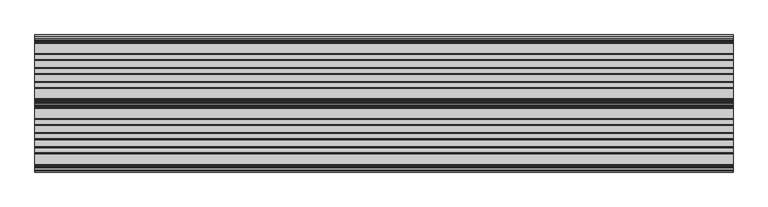
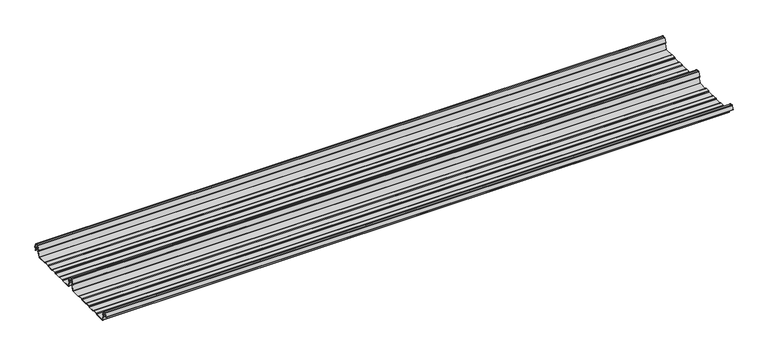
"""IFC4 building model written with IfcOpenShell, lengths in millimetres: beam geometry."""

from ifc_helpers import new_model, si_unit, point, frame, frame_2d, origin, place, context, project, spatial, polyline, circle_curve, trimmed, segment, composite_curve, outline, extrude, source, transform, mapped, element, save


def beam_984e7730(model_context):
    return source(origin(), model_context, "Body", "SweptSolid", [
        extrude(outline(composite_curve([segment(trimmed(circle_curve(frame_2d((-231.1362436, -24.0396475)), 1.75), [point((-231.1362436, -25.7896475))], [point((-232.7807057, -24.6381827))], False, "CARTESIAN"), True, "CONTINUOUS"), segment(polyline([(-232.7807057, -24.6381827), (-241.6888002, -2.1633943)]), True, "CONTINUOUS"), segment(trimmed(circle_curve(frame_2d((-240.0443381, -1.5648591)), 1.75), [point((-241.6888002, -2.1633943))], [point((-240.4972714, 0.1255111))], False, "CARTESIAN"), True, "CONTINUOUS"), segment(polyline([(-240.4972714, 0.1255111), (-237.8419476, 0.837003)]), True, "CONTINUOUS"), segment(trimmed(circle_curve(frame_2d((-238.1654714, 2.0444103)), 1.25), [point((-237.8419476, 0.837003))], [point((-236.9908556, 2.4719355))], True, "CARTESIAN"), True, "CONTINUOUS"), segment(polyline([(-236.9908556, 2.4719355), (-243.8110817, 21.2103525), (-250.0, 21.2103525), (-256.1889183, 21.2103525), (-263.0091444, 2.4719355)]), True, "CONTINUOUS"), segment(trimmed(circle_curve(frame_2d((-261.8345286, 2.0444103)), 1.25), [point((-263.0091444, 2.4719355))], [point((-262.1580524, 0.837003))], True, "CARTESIAN"), True, "CONTINUOUS"), segment(polyline([(-262.1580524, 0.837003), (-259.5027286, 0.1255111)]), True, "CONTINUOUS"), segment(trimmed(circle_curve(frame_2d((-259.9556619, -1.5648591)), 1.75), [point((-259.5027286, 0.1255111))], [point((-258.3111998, -2.1633943))], False, "CARTESIAN"), True, "CONTINUOUS"), segment(polyline([(-258.3111998, -2.1633943), (-267.2192943, -24.6381827)]), True, "CONTINUOUS"), segment(trimmed(circle_curve(frame_2d((-268.8637564, -24.0396475)), 1.75), [point((-267.2192943, -24.6381827))], [point((-268.8637564, -25.7896475))], False, "CARTESIAN"), True, "CONTINUOUS"), segment(polyline([(-268.8637564, -25.7896475), (-307.3786797, -25.7896475)]), True, "CONTINUOUS"), segment(trimmed(circle_curve(frame_2d((-307.3786797, -24.0396475)), 1.75), [point((-307.3786797, -25.7896475))], [point((-308.6161165, -25.2770843))], False, "CARTESIAN"), True, "CONTINUOUS"), segment(polyline([(-308.6161165, -25.2770843), (-310.7788845, -23.1143163)]), True, "CONTINUOUS"), segment(trimmed(circle_curve(frame_2d((-311.5627045, -23.8981363)), 1.1084889), [point((-310.7788845, -23.1143163))], [point((-311.5627045, -22.7896475))], True, "CARTESIAN"), True, "CONTINUOUS"), segment(polyline([(-311.5627045, -22.7896475), (-330.4372955, -22.7896475)]), True, "CONTINUOUS"), segment(trimmed(circle_curve(frame_2d((-330.4372955, -23.8981363)), 1.1084889), [point((-330.4372955, -22.7896475))], [point((-331.2211155, -23.1143163))], True, "CARTESIAN"), True, "CONTINUOUS"), segment(polyline([(-331.2211155, -23.1143163), (-333.3838835, -25.2770843)]), True, "CONTINUOUS"), segment(trimmed(circle_curve(frame_2d((-334.6213203, -24.0396475)), 1.75), [point((-333.3838835, -25.2770843))], [point((-334.6213203, -25.7896475))], False, "CARTESIAN"), True, "CONTINUOUS"), segment(polyline([(-334.6213203, -25.7896475), (-361.3786797, -25.7896475)]), True, "CONTINUOUS"), segment(trimmed(circle_curve(frame_2d((-361.3786797, -24.0396475)), 1.75), [point((-361.3786797, -25.7896475))], [point((-362.6161165, -25.2770843))], False, "CARTESIAN"), True, "CONTINUOUS"), segment(polyline([(-362.6161165, -25.2770843), (-364.7788845, -23.1143163)]), True, "CONTINUOUS"), segment(trimmed(circle_curve(frame_2d((-365.5627045, -23.8981363)), 1.1084889), [point((-364.7788845, -23.1143163))], [point((-365.5627045, -22.7896475))], True, "CARTESIAN"), True, "CONTINUOUS"), segment(polyline([(-365.5627045, -22.7896475), (-384.4372955, -22.7896475)]), True, "CONTINUOUS"), segment(trimmed(circle_curve(frame_2d((-384.4372955, -23.8981363)), 1.1084889), [point((-384.4372955, -22.7896475))], [point((-385.2211155, -23.1143163))], True, "CARTESIAN"), True, "CONTINUOUS"), segment(polyline([(-385.2211155, -23.1143163), (-387.3838835, -25.2770843)]), True, "CONTINUOUS"), segment(trimmed(circle_curve(frame_2d((-388.6213203, -24.0396475)), 1.75), [point((-387.3838835, -25.2770843))], [point((-388.6213203, -25.7896475))], False, "CARTESIAN"), True, "CONTINUOUS"), segment(polyline([(-388.6213203, -25.7896475), (-415.3786797, -25.7896475)]), True, "CONTINUOUS"), segment(trimmed(circle_curve(frame_2d((-415.3786797, -24.0396475)), 1.75), [point((-415.3786797, -25.7896475))], [point((-416.6161165, -25.2770843))], False, "CARTESIAN"), True, "CONTINUOUS"), segment(polyline([(-416.6161165, -25.2770843), (-418.7788845, -23.1143163)]), True, "CONTINUOUS"), segment(trimmed(circle_curve(frame_2d((-419.5627045, -23.8981363)), 1.1084889), [point((-418.7788845, -23.1143163))], [point((-419.5627045, -22.7896475))], True, "CARTESIAN"), True, "CONTINUOUS"), segment(polyline([(-419.5627045, -22.7896475), (-438.4372955, -22.7896475)]), True, "CONTINUOUS"), segment(trimmed(circle_curve(frame_2d((-438.4372955, -23.8981363)), 1.1084889), [point((-438.4372955, -22.7896475))], [point((-439.2211155, -23.1143163))], True, "CARTESIAN"), True, "CONTINUOUS"), segment(polyline([(-439.2211155, -23.1143163), (-441.3838835, -25.2770843)]), True, "CONTINUOUS"), segment(trimmed(circle_curve(frame_2d((-442.6213203, -24.0396475)), 1.75), [point((-441.3838835, -25.2770843))], [point((-442.6213203, -25.7896475))], False, "CARTESIAN"), True, "CONTINUOUS"), segment(polyline([(-442.6213203, -25.7896475), (-483.287616, -25.7896475)]), True, "CONTINUOUS"), segment(trimmed(circle_curve(frame_2d((-483.287616, -24.0396475)), 1.75), [point((-483.287616, -25.7896475))], [point((-484.8955882, -24.7302452))], False, "CARTESIAN"), True, "CONTINUOUS"), segment(polyline([(-484.8955882, -24.7302452), (-493.5565428, -2.8789816)]), True, "CONTINUOUS"), segment(trimmed(circle_curve(frame_2d((-490.0443381, -1.5648591)), 3.75), [point((-493.5565428, -2.8789816))], [point((-490.3464639, 2.1729504))], False, "CARTESIAN"), True, "CONTINUOUS"), segment(trimmed(circle_curve(frame_2d((-490.426413, 3.162057)), 0.9923325), [point((-490.3464639, 2.1729504))], [point((-489.4939255, 3.5014547))], True, "CARTESIAN"), True, "CONTINUOUS"), segment(polyline([(-489.4939255, 3.5014547), (-494.9720116, 18.5523727)]), True, "CONTINUOUS"), segment(trimmed(circle_curve(frame_2d((-495.9117043, 18.2103525)), 1.0), [point((-494.9720116, 18.5523727))], [point((-495.9117043, 19.2103525))], True, "CARTESIAN"), True, "CONTINUOUS"), segment(polyline([(-495.9117043, 19.2103525), (-504.0882957, 19.2103525)]), True, "CONTINUOUS"), segment(trimmed(circle_curve(frame_2d((-504.0882957, 18.2103525)), 1.0), [point((-504.0882957, 19.2103525))], [point((-505.0279884, 18.5523727))], True, "CARTESIAN"), True, "CONTINUOUS"), segment(polyline([(-505.0279884, 18.5523727), (-510.4799156, 3.5733257)]), True, "CONTINUOUS"), segment(trimmed(circle_curve(frame_2d((-510.9497619, 3.7443357)), 0.5), [point((-510.4799156, 3.5733257))], [point((-511.4196082, 3.9153458))], False, "CARTESIAN"), True, "CONTINUOUS"), segment(polyline([(-511.4196082, 3.9153458), (-505.967681, 18.8943928)]), True, "CONTINUOUS"), segment(trimmed(circle_curve(frame_2d((-504.0882957, 18.2103525)), 2.0), [point((-505.967681, 18.8943928))], [point((-504.0882957, 20.2103525))], False, "CARTESIAN"), True, "CONTINUOUS"), segment(polyline([(-504.0882957, 20.2103525), (-495.9117043, 20.2103525)]), True, "CONTINUOUS"), segment(trimmed(circle_curve(frame_2d((-495.9117043, 18.2103525)), 2.0), [point((-495.9117043, 20.2103525))], [point((-494.032319, 18.8943928))], False, "CARTESIAN"), True, "CONTINUOUS"), segment(polyline([(-494.032319, 18.8943928), (-488.5542329, 3.8434749)]), True, "CONTINUOUS"), segment(trimmed(circle_curve(frame_2d((-490.426413, 3.162057)), 1.9923325), [point((-488.5542329, 3.8434749))], [point((-490.265897, 1.1762012))], False, "CARTESIAN"), True, "CONTINUOUS"), segment(trimmed(circle_curve(frame_2d((-490.0443381, -1.5648591)), 2.75), [point((-490.265897, 1.1762012))], [point((-492.6230664, -2.5201915))], True, "CARTESIAN"), True, "CONTINUOUS"), segment(polyline([(-492.6230664, -2.5201915), (-483.9722515, -24.3458733)]), True, "CONTINUOUS"), segment(trimmed(circle_curve(frame_2d((-483.287616, -24.0396475)), 0.75), [point((-483.9722515, -24.3458733))], [point((-483.287616, -24.7896475))], True, "CARTESIAN"), True, "CONTINUOUS"), segment(polyline([(-483.287616, -24.7896475), (-442.7420401, -24.7896475)]), True, "CONTINUOUS"), segment(trimmed(circle_curve(frame_2d((-442.7420401, -23.7482041)), 1.0414433), [point((-442.7420401, -24.7896475))], [point((-442.0056285, -24.4846158))], True, "CARTESIAN"), True, "CONTINUOUS"), segment(polyline([(-442.0056285, -24.4846158), (-439.9696699, -22.4486572)]), True, "CONTINUOUS"), segment(trimmed(circle_curve(frame_2d((-438.3786797, -24.0396475)), 2.25), [point((-439.9696699, -22.4486572))], [point((-438.3786797, -21.7896475))], False, "CARTESIAN"), True, "CONTINUOUS"), segment(polyline([(-438.3786797, -21.7896475), (-419.6213203, -21.7896475)]), True, "CONTINUOUS"), segment(trimmed(circle_curve(frame_2d((-419.6213203, -24.0396475)), 2.25), [point((-419.6213203, -21.7896475))], [point((-418.0303301, -22.4486572))], False, "CARTESIAN"), True, "CONTINUOUS"), segment(polyline([(-418.0303301, -22.4486572), (-415.9943715, -24.4846158)]), True, "CONTINUOUS"), segment(trimmed(circle_curve(frame_2d((-415.2579599, -23.7482041)), 1.0414433), [point((-415.9943715, -24.4846158))], [point((-415.2579599, -24.7896475))], True, "CARTESIAN"), True, "CONTINUOUS"), segment(polyline([(-415.2579599, -24.7896475), (-388.7420401, -24.7896475)]), True, "CONTINUOUS"), segment(trimmed(circle_curve(frame_2d((-388.7420401, -23.7482041)), 1.0414433), [point((-388.7420401, -24.7896475))], [point((-388.0056285, -24.4846158))], True, "CARTESIAN"), True, "CONTINUOUS"), segment(polyline([(-388.0056285, -24.4846158), (-385.9696699, -22.4486572)]), True, "CONTINUOUS"), segment(trimmed(circle_curve(frame_2d((-384.3786797, -24.0396475)), 2.25), [point((-385.9696699, -22.4486572))], [point((-384.3786797, -21.7896475))], False, "CARTESIAN"), True, "CONTINUOUS"), segment(polyline([(-384.3786797, -21.7896475), (-365.6213203, -21.7896475)]), True, "CONTINUOUS"), segment(trimmed(circle_curve(frame_2d((-365.6213203, -24.0396475)), 2.25), [point((-365.6213203, -21.7896475))], [point((-364.0303301, -22.4486572))], False, "CARTESIAN"), True, "CONTINUOUS"), segment(polyline([(-364.0303301, -22.4486572), (-361.9943715, -24.4846158)]), True, "CONTINUOUS"), segment(trimmed(circle_curve(frame_2d((-361.2579599, -23.7482041)), 1.0414433), [point((-361.9943715, -24.4846158))], [point((-361.2579599, -24.7896475))], True, "CARTESIAN"), True, "CONTINUOUS"), segment(polyline([(-361.2579599, -24.7896475), (-334.7420401, -24.7896475)]), True, "CONTINUOUS"), segment(trimmed(circle_curve(frame_2d((-334.7420401, -23.7482041)), 1.0414433), [point((-334.7420401, -24.7896475))], [point((-334.0056285, -24.4846158))], True, "CARTESIAN"), True, "CONTINUOUS"), segment(polyline([(-334.0056285, -24.4846158), (-331.9696699, -22.4486572)]), True, "CONTINUOUS"), segment(trimmed(circle_curve(frame_2d((-330.3786797, -24.0396475)), 2.25), [point((-331.9696699, -22.4486572))], [point((-330.3786797, -21.7896475))], False, "CARTESIAN"), True, "CONTINUOUS"), segment(polyline([(-330.3786797, -21.7896475), (-311.6213203, -21.7896475)]), True, "CONTINUOUS"), segment(trimmed(circle_curve(frame_2d((-311.6213203, -24.0396475)), 2.25), [point((-311.6213203, -21.7896475))], [point((-310.0303301, -22.4486572))], False, "CARTESIAN"), True, "CONTINUOUS"), segment(polyline([(-310.0303301, -22.4486572), (-307.9943715, -24.4846158)]), True, "CONTINUOUS"), segment(trimmed(circle_curve(frame_2d((-307.2579599, -23.7482041)), 1.0414433), [point((-307.9943715, -24.4846158))], [point((-307.2579599, -24.7896475))], True, "CARTESIAN"), True, "CONTINUOUS"), segment(polyline([(-307.2579599, -24.7896475), (-268.8637564, -24.7896475)]), True, "CONTINUOUS"), segment(trimmed(circle_curve(frame_2d((-268.8637564, -24.0396475)), 0.75), [point((-268.8637564, -24.7896475))], [point((-268.1552359, -24.2856122))], True, "CARTESIAN"), True, "CONTINUOUS"), segment(polyline([(-268.1552359, -24.2856122), (-259.2471414, -1.8108238)]), True, "CONTINUOUS"), segment(trimmed(circle_curve(frame_2d((-259.9556619, -1.5648591)), 0.75), [point((-259.2471414, -1.8108238))], [point((-259.7615476, -0.8404147))], True, "CARTESIAN"), True, "CONTINUOUS"), segment(polyline([(-259.7615476, -0.8404147), (-262.4168715, -0.1289228)]), True, "CONTINUOUS"), segment(trimmed(circle_curve(frame_2d((-261.8345286, 2.0444103)), 2.25), [point((-262.4168715, -0.1289228))], [point((-263.948837, 2.8139556))], False, "CARTESIAN"), True, "CONTINUOUS"), segment(polyline([(-263.948837, 2.8139556), (-257.1273286, 21.5558959)]), True, "CONTINUOUS"), segment(trimmed(circle_curve(frame_2d((-256.1926676, 21.2157071)), 0.9946455), [point((-257.1273286, 21.5558959))], [point((-256.1926676, 22.2103525))], False, "CARTESIAN"), True, "CONTINUOUS"), segment(polyline([(-256.1926676, 22.2103525), (-250.0, 22.2103525), (-243.8073324, 22.2103525)]), True, "CONTINUOUS"), segment(trimmed(circle_curve(frame_2d((-243.8073324, 21.2157071)), 0.9946455), [point((-243.8073324, 22.2103525))], [point((-242.8726714, 21.5558959))], False, "CARTESIAN"), True, "CONTINUOUS"), segment(polyline([(-242.8726714, 21.5558959), (-236.051163, 2.8139556)]), True, "CONTINUOUS"), segment(trimmed(circle_curve(frame_2d((-238.1654714, 2.0444103)), 2.25), [point((-236.051163, 2.8139556))], [point((-237.5831285, -0.1289228))], False, "CARTESIAN"), True, "CONTINUOUS"), segment(polyline([(-237.5831285, -0.1289228), (-240.2384524, -0.8404147)]), True, "CONTINUOUS"), segment(trimmed(circle_curve(frame_2d((-240.0443381, -1.5648591)), 0.75), [point((-240.2384524, -0.8404147))], [point((-240.7528586, -1.8108238))], True, "CARTESIAN"), True, "CONTINUOUS"), segment(polyline([(-240.7528586, -1.8108238), (-231.8447641, -24.2856122)]), True, "CONTINUOUS"), segment(trimmed(circle_curve(frame_2d((-231.1362436, -24.0396475)), 0.75), [point((-231.8447641, -24.2856122))], [point((-231.1362436, -24.7896475))], True, "CARTESIAN"), True, "CONTINUOUS"), segment(polyline([(-231.1362436, -24.7896475), (-192.7420401, -24.7896475)]), True, "CONTINUOUS"), segment(trimmed(circle_curve(frame_2d((-192.7420401, -23.7482041)), 1.0414433), [point((-192.7420401, -24.7896475))], [point((-192.0056285, -24.4846158))], True, "CARTESIAN"), True, "CONTINUOUS"), segment(polyline([(-192.0056285, -24.4846158), (-189.9696699, -22.4486572)]), True, "CONTINUOUS"), segment(trimmed(circle_curve(frame_2d((-188.3786797, -24.0396475)), 2.25), [point((-189.9696699, -22.4486572))], [point((-188.3786797, -21.7896475))], False, "CARTESIAN"), True, "CONTINUOUS"), segment(polyline([(-188.3786797, -21.7896475), (-169.6213203, -21.7896475)]), True, "CONTINUOUS"), segment(trimmed(circle_curve(frame_2d((-169.6213203, -24.0396475)), 2.25), [point((-169.6213203, -21.7896475))], [point((-168.0303301, -22.4486572))], False, "CARTESIAN"), True, "CONTINUOUS"), segment(polyline([(-168.0303301, -22.4486572), (-165.9943715, -24.4846158)]), True, "CONTINUOUS"), segment(trimmed(circle_curve(frame_2d((-165.2579599, -23.7482041)), 1.0414433), [point((-165.9943715, -24.4846158))], [point((-165.2579599, -24.7896475))], True, "CARTESIAN"), True, "CONTINUOUS"), segment(polyline([(-165.2579599, -24.7896475), (-138.7420401, -24.7896475)]), True, "CONTINUOUS"), segment(trimmed(circle_curve(frame_2d((-138.7420401, -23.7482041)), 1.0414433), [point((-138.7420401, -24.7896475))], [point((-138.0056285, -24.4846158))], True, "CARTESIAN"), True, "CONTINUOUS"), segment(polyline([(-138.0056285, -24.4846158), (-135.9696699, -22.4486572)]), True, "CONTINUOUS"), segment(trimmed(circle_curve(frame_2d((-134.3786797, -24.0396475)), 2.25), [point((-135.9696699, -22.4486572))], [point((-134.3786797, -21.7896475))], False, "CARTESIAN"), True, "CONTINUOUS"), segment(polyline([(-134.3786797, -21.7896475), (-115.6213203, -21.7896475)]), True, "CONTINUOUS"), segment(trimmed(circle_curve(frame_2d((-115.6213203, -24.0396475)), 2.25), [point((-115.6213203, -21.7896475))], [point((-114.0303301, -22.4486572))], False, "CARTESIAN"), True, "CONTINUOUS"), segment(polyline([(-114.0303301, -22.4486572), (-111.9943715, -24.4846158)]), True, "CONTINUOUS"), segment(trimmed(circle_curve(frame_2d((-111.2579599, -23.7482041)), 1.0414433), [point((-111.9943715, -24.4846158))], [point((-111.2579599, -24.7896475))], True, "CARTESIAN"), True, "CONTINUOUS"), segment(polyline([(-111.2579599, -24.7896475), (-84.7420401, -24.7896475)]), True, "CONTINUOUS"), segment(trimmed(circle_curve(frame_2d((-84.7420401, -23.7482041)), 1.0414433), [point((-84.7420401, -24.7896475))], [point((-84.0056285, -24.4846158))], True, "CARTESIAN"), True, "CONTINUOUS"), segment(polyline([(-84.0056285, -24.4846158), (-81.9696699, -22.4486572)]), True, "CONTINUOUS"), segment(trimmed(circle_curve(frame_2d((-80.3786797, -24.0396475)), 2.25), [point((-81.9696699, -22.4486572))], [point((-80.3786797, -21.7896475))], False, "CARTESIAN"), True, "CONTINUOUS"), segment(polyline([(-80.3786797, -21.7896475), (-61.6213203, -21.7896475)]), True, "CONTINUOUS"), segment(trimmed(circle_curve(frame_2d((-61.6213203, -24.0396475)), 2.25), [point((-61.6213203, -21.7896475))], [point((-60.0303301, -22.4486572))], False, "CARTESIAN"), True, "CONTINUOUS"), segment(polyline([(-60.0303301, -22.4486572), (-57.9943715, -24.4846158)]), True, "CONTINUOUS"), segment(trimmed(circle_curve(frame_2d((-57.2579599, -23.7482041)), 1.0414433), [point((-57.9943715, -24.4846158))], [point((-57.2579599, -24.7896475))], True, "CARTESIAN"), True, "CONTINUOUS"), segment(polyline([(-57.2579599, -24.7896475), (-18.8637564, -24.7896475)]), True, "CONTINUOUS"), segment(trimmed(circle_curve(frame_2d((-18.8637564, -24.0396475)), 0.75), [point((-18.8637564, -24.7896475))], [point((-18.1552359, -24.2856122))], True, "CARTESIAN"), True, "CONTINUOUS"), segment(polyline([(-18.1552359, -24.2856122), (-9.2471414, -1.8108238)]), True, "CONTINUOUS"), segment(trimmed(circle_curve(frame_2d((-9.9556619, -1.5648591)), 0.75), [point((-9.2471414, -1.8108238))], [point((-9.7615476, -0.8404147))], True, "CARTESIAN"), True, "CONTINUOUS"), segment(polyline([(-9.7615476, -0.8404147), (-12.4168715, -0.1289228)]), True, "CONTINUOUS"), segment(trimmed(circle_curve(frame_2d((-11.8345286, 2.0444103)), 2.25), [point((-12.4168715, -0.1289228))], [point((-13.948837, 2.8139556))], False, "CARTESIAN"), True, "CONTINUOUS"), segment(polyline([(-13.948837, 2.8139556), (-7.1273286, 21.5558959)]), True, "CONTINUOUS"), segment(trimmed(circle_curve(frame_2d((-6.1926676, 21.2157071)), 0.9946455), [point((-7.1273286, 21.5558959))], [point((-6.1926676, 22.2103525))], False, "CARTESIAN"), True, "CONTINUOUS"), segment(polyline([(-6.1926676, 22.2103525), (0.0, 22.2103525), (6.1926676, 22.2103525)]), True, "CONTINUOUS"), segment(trimmed(circle_curve(frame_2d((6.1926676, 21.2157071)), 0.9946455), [point((6.1926676, 22.2103525))], [point((7.1273286, 21.5558959))], False, "CARTESIAN"), True, "CONTINUOUS"), segment(polyline([(7.1273286, 21.5558959), (13.948837, 2.8139556)]), True, "CONTINUOUS"), segment(trimmed(circle_curve(frame_2d((11.8345286, 2.0444103)), 2.25), [point((13.948837, 2.8139556))], [point((12.4168715, -0.1289228))], False, "CARTESIAN"), True, "CONTINUOUS"), segment(polyline([(12.4168715, -0.1289228), (9.7615476, -0.8404147)]), True, "CONTINUOUS"), segment(trimmed(circle_curve(frame_2d((9.9556619, -1.5648591)), 0.75), [point((9.7615476, -0.8404147))], [point((9.2471414, -1.8108238))], True, "CARTESIAN"), True, "CONTINUOUS"), segment(polyline([(9.2471414, -1.8108238), (12.5127954, -10.0499465)]), True, "CONTINUOUS"), segment(trimmed(circle_curve(frame_2d((12.0479758, -10.2341821)), 0.5), [point((12.5127954, -10.0499465))], [point((11.5831563, -10.4184177))], False, "CARTESIAN"), True, "CONTINUOUS"), segment(polyline([(11.5831563, -10.4184177), (8.3111998, -2.1633943)]), True, "CONTINUOUS"), segment(trimmed(circle_curve(frame_2d((9.9556619, -1.5648591)), 1.75), [point((8.3111998, -2.1633943))], [point((9.5027286, 0.1255111))], False, "CARTESIAN"), True, "CONTINUOUS"), segment(polyline([(9.5027286, 0.1255111), (12.1580524, 0.837003)]), True, "CONTINUOUS"), segment(trimmed(circle_curve(frame_2d((11.8345286, 2.0444103)), 1.25), [point((12.1580524, 0.837003))], [point((13.0091444, 2.4719355))], True, "CARTESIAN"), True, "CONTINUOUS"), segment(polyline([(13.0091444, 2.4719355), (6.1889183, 21.2103525), (0.0, 21.2103525), (-6.1889183, 21.2103525), (-13.0091444, 2.4719355)]), True, "CONTINUOUS"), segment(trimmed(circle_curve(frame_2d((-11.8345286, 2.0444103)), 1.25), [point((-13.0091444, 2.4719355))], [point((-12.1580524, 0.837003))], True, "CARTESIAN"), True, "CONTINUOUS"), segment(polyline([(-12.1580524, 0.837003), (-9.5027286, 0.1255111)]), True, "CONTINUOUS"), segment(trimmed(circle_curve(frame_2d((-9.9556619, -1.5648591)), 1.75), [point((-9.5027286, 0.1255111))], [point((-8.3111998, -2.1633943))], False, "CARTESIAN"), True, "CONTINUOUS"), segment(polyline([(-8.3111998, -2.1633943), (-17.2192943, -24.6381827)]), True, "CONTINUOUS"), segment(trimmed(circle_curve(frame_2d((-18.8637564, -24.0396475)), 1.75), [point((-17.2192943, -24.6381827))], [point((-18.8637564, -25.7896475))], False, "CARTESIAN"), True, "CONTINUOUS"), segment(polyline([(-18.8637564, -25.7896475), (-57.3786797, -25.7896475)]), True, "CONTINUOUS"), segment(trimmed(circle_curve(frame_2d((-57.3786797, -24.0396475)), 1.75), [point((-57.3786797, -25.7896475))], [point((-58.6161165, -25.2770843))], False, "CARTESIAN"), True, "CONTINUOUS"), segment(polyline([(-58.6161165, -25.2770843), (-60.7788845, -23.1143163)]), True, "CONTINUOUS"), segment(trimmed(circle_curve(frame_2d((-61.5627045, -23.8981363)), 1.1084889), [point((-60.7788845, -23.1143163))], [point((-61.5627045, -22.7896475))], True, "CARTESIAN"), True, "CONTINUOUS"), segment(polyline([(-61.5627045, -22.7896475), (-80.4372955, -22.7896475)]), True, "CONTINUOUS"), segment(trimmed(circle_curve(frame_2d((-80.4372955, -23.8981363)), 1.1084889), [point((-80.4372955, -22.7896475))], [point((-81.2211155, -23.1143163))], True, "CARTESIAN"), True, "CONTINUOUS"), segment(polyline([(-81.2211155, -23.1143163), (-83.3838835, -25.2770843)]), True, "CONTINUOUS"), segment(trimmed(circle_curve(frame_2d((-84.6213203, -24.0396475)), 1.75), [point((-83.3838835, -25.2770843))], [point((-84.6213203, -25.7896475))], False, "CARTESIAN"), True, "CONTINUOUS"), segment(polyline([(-84.6213203, -25.7896475), (-111.3786797, -25.7896475)]), True, "CONTINUOUS"), segment(trimmed(circle_curve(frame_2d((-111.3786797, -24.0396475)), 1.75), [point((-111.3786797, -25.7896475))], [point((-112.6161165, -25.2770843))], False, "CARTESIAN"), True, "CONTINUOUS"), segment(polyline([(-112.6161165, -25.2770843), (-114.7788845, -23.1143163)]), True, "CONTINUOUS"), segment(trimmed(circle_curve(frame_2d((-115.5627045, -23.8981363)), 1.1084889), [point((-114.7788845, -23.1143163))], [point((-115.5627045, -22.7896475))], True, "CARTESIAN"), True, "CONTINUOUS"), segment(polyline([(-115.5627045, -22.7896475), (-134.4372955, -22.7896475)]), True, "CONTINUOUS"), segment(trimmed(circle_curve(frame_2d((-134.4372955, -23.8981363)), 1.1084889), [point((-134.4372955, -22.7896475))], [point((-135.2211155, -23.1143163))], True, "CARTESIAN"), True, "CONTINUOUS"), segment(polyline([(-135.2211155, -23.1143163), (-137.3838835, -25.2770843)]), True, "CONTINUOUS"), segment(trimmed(circle_curve(frame_2d((-138.6213203, -24.0396475)), 1.75), [point((-137.3838835, -25.2770843))], [point((-138.6213203, -25.7896475))], False, "CARTESIAN"), True, "CONTINUOUS"), segment(polyline([(-138.6213203, -25.7896475), (-165.3786797, -25.7896475)]), True, "CONTINUOUS"), segment(trimmed(circle_curve(frame_2d((-165.3786797, -24.0396475)), 1.75), [point((-165.3786797, -25.7896475))], [point((-166.6161165, -25.2770843))], False, "CARTESIAN"), True, "CONTINUOUS"), segment(polyline([(-166.6161165, -25.2770843), (-168.7788845, -23.1143163)]), True, "CONTINUOUS"), segment(trimmed(circle_curve(frame_2d((-169.5627045, -23.8981363)), 1.1084889), [point((-168.7788845, -23.1143163))], [point((-169.5627045, -22.7896475))], True, "CARTESIAN"), True, "CONTINUOUS"), segment(polyline([(-169.5627045, -22.7896475), (-188.4372955, -22.7896475)]), True, "CONTINUOUS"), segment(trimmed(circle_curve(frame_2d((-188.4372955, -23.8981363)), 1.1084889), [point((-188.4372955, -22.7896475))], [point((-189.2211155, -23.1143163))], True, "CARTESIAN"), True, "CONTINUOUS"), segment(polyline([(-189.2211155, -23.1143163), (-191.3838835, -25.2770843)]), True, "CONTINUOUS"), segment(trimmed(circle_curve(frame_2d((-192.6213203, -24.0396475)), 1.75), [point((-191.3838835, -25.2770843))], [point((-192.6213203, -25.7896475))], False, "CARTESIAN"), True, "CONTINUOUS"), segment(polyline([(-192.6213203, -25.7896475), (-231.1362436, -25.7896475)]), True, "CONTINUOUS")], self_intersect=False)), frame((-1338.0072459, 0.0, 0.0), z_axis=(1.0, 0.0, 0.0), x_axis=(0.0, 1.0, 0.0)), (0.0, 0.0, 1.0), 2676.0144918),
    ])


if __name__ == "__main__":
    model = new_model("IFC4")
    model_context = context("Model", 3, world=origin())
    ifc_project = project(units=[si_unit("LENGTHUNIT", "METRE", prefix="MILLI")], contexts=[model_context])
    site = spatial("IfcSite", under=ifc_project)
    building = spatial("IfcBuilding", under=site)
    placement = place(None, origin())
    beam_shape = beam_984e7730(model_context)
    element("IfcBeam", 1, at=placement, inside=building, context=model_context, shape_type="MappedRepresentation", body=[
        mapped(beam_shape, transform((0.0, 0.0, 0.0), x_axis=(1.0, 0.0, 0.0), y_axis=(0.0, 1.0, 0.0), z_axis=(0.0, 0.0, 1.0))),
    ])
    save(model, "model.ifc")
